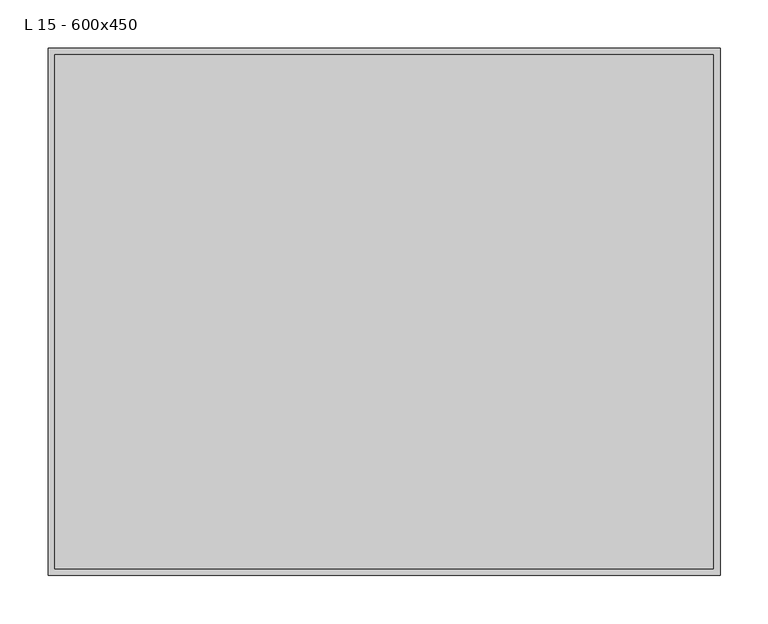
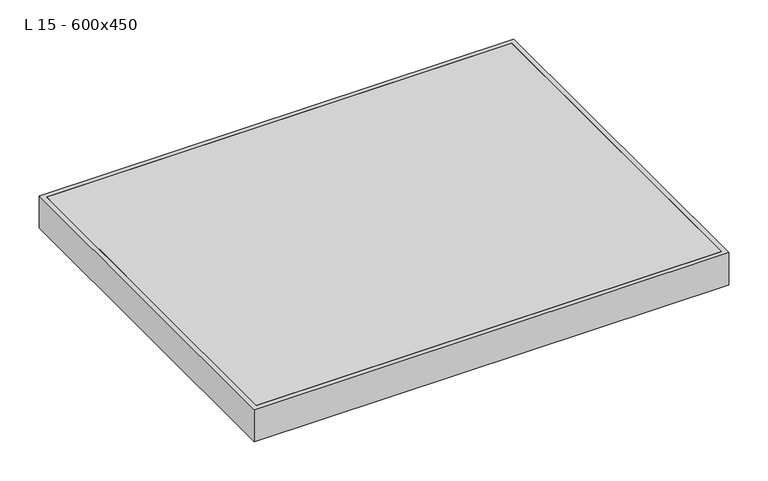
"""IFC4 building model written with IfcOpenShell, lengths in millimetres: proxy geometry, L 15 - 600x450."""

from ifc_helpers import new_model, si_unit, frame, origin, place, context, project, spatial, polyline, outline, extrude, faceted_brep, source, transform, mapped, element, save


def l_15_600x450_7666ee8a(model_context):
    return source(origin(), model_context, "Body", "SolidModel", [
        extrude(outline(polyline([(-342.9, -267.9), (-342.9, 267.9), (342.9, 267.9), (342.9, -267.9), (-342.9, -267.9)])), frame((0.0, 0.0, -5.0), z_axis=(0.0, 0.0, 1.0), x_axis=(1.0, 0.0, 0.0)), (0.0, 0.0, 1.0), 5.0),
        faceted_brep([(-300.0, 225.0, -50.0), (-300.0, 225.0, -48.0), (-300.0, -225.0, -48.0), (-300.0, -225.0, -50.0), (300.0, -225.0, -48.0), (300.0, -225.0, -50.0), (300.0, 225.0, -48.0), (300.0, 225.0, -50.0), (-350.0, -275.0, 0.0), (350.0, -275.0, 0.0), (350.0, 275.0, 0.0), (-350.0, 275.0, 0.0), (-342.9, 267.9, 0.0), (342.9, 267.9, 0.0), (342.9, -267.9, 0.0), (-342.9, -267.9, 0.0), (-342.9, 267.9, -48.0), (-342.9, -267.9, -48.0), (342.9, -267.9, -48.0), (342.9, 267.9, -48.0), (-350.0, 275.0, -50.0), (350.0, 275.0, -50.0), (350.0, -275.0, -50.0), (-350.0, -275.0, -50.0)], [[[0, 1, 2, 3]], [[3, 2, 4, 5]], [[5, 4, 6, 7]], [[8, 9, 10, 11], [12, 13, 14, 15]], [[16, 17, 18, 19], [1, 6, 4, 2]], [[7, 6, 1, 0]], [[20, 21, 22, 23], [3, 5, 7, 0]], [[11, 20, 23, 8]], [[16, 12, 15, 17]], [[8, 23, 22, 9]], [[17, 15, 14, 18]], [[9, 22, 21, 10]], [[18, 14, 13, 19]], [[10, 21, 20, 11]], [[19, 13, 12, 16]]]),
        extrude(outline(polyline([(300.0, 225.0), (300.0, -225.0), (-300.0, -225.0), (-300.0, 225.0), (300.0, 225.0)])), frame((0.0, 0.0, -50.0), z_axis=(0.0, 0.0, 1.0), x_axis=(1.0, 0.0, 0.0)), (0.0, 0.0, 1.0), 2.0),
    ])


if __name__ == "__main__":
    model = new_model("IFC4")
    model_context = context("Model", 3, world=origin())
    ifc_project = project(units=[si_unit("LENGTHUNIT", "METRE", prefix="MILLI")], contexts=[model_context])
    site = spatial("IfcSite", under=ifc_project)
    building = spatial("IfcBuilding", under=site)
    placement = place(None, origin())
    l_15_600x450_shape = l_15_600x450_7666ee8a(model_context)
    element("IfcBuildingElementProxy", 1, Name="L 15 - 600x450", ObjectType="L 15 - 600x450", at=placement, inside=building, context=model_context, shape_type="MappedRepresentation", body=[
        mapped(l_15_600x450_shape, transform((0.0, 0.0, 0.0), x_axis=(1.0, 0.0, 0.0), y_axis=(0.0, 1.0, 0.0), z_axis=(0.0, 0.0, 1.0))),
    ])
    save(model, "model.ifc")
